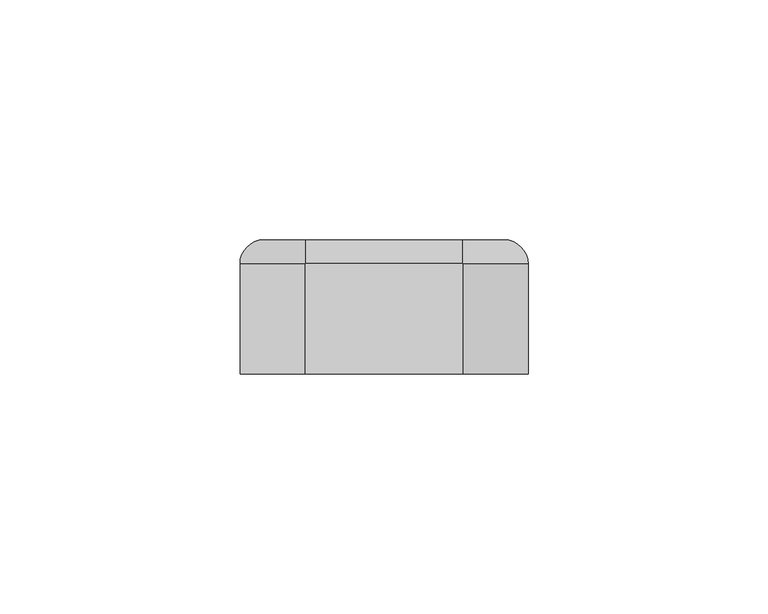
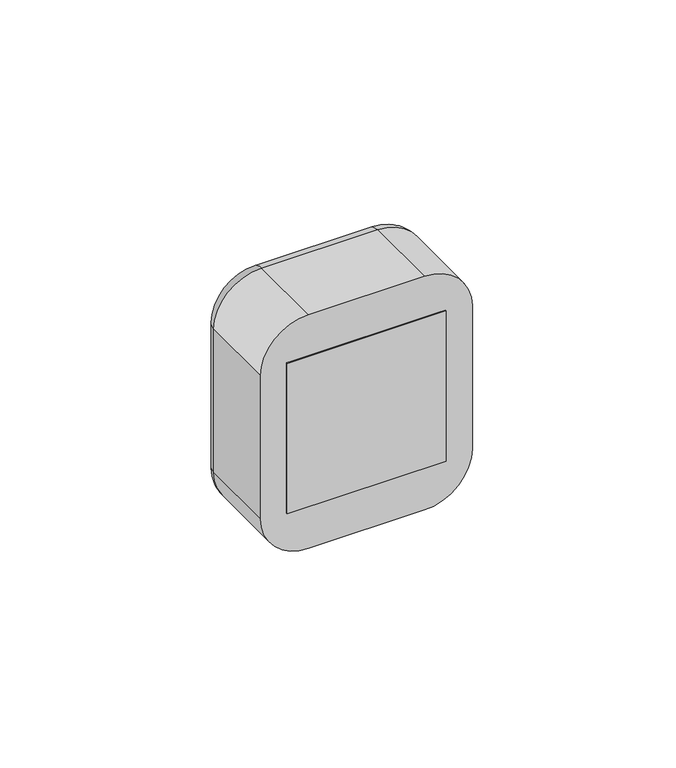
"""IFC4 building model written with IfcOpenShell, lengths in millimetres: proxy geometry."""

import ifcopenshell
import ifcopenshell.guid

model = None  # the IFC model being written
_history = None  # IfcOwnerHistory: only IFC2X3 demands one
_inside = {}  # id of a spatial element -> (the spatial element, [elements in it])
_under = {}  # id of a project, library or spatial element -> (it, [spatial elements below it])
_declared = {}  # id of a project -> (the project, [libraries it declares])
_typed = {}  # id of a type object -> (the type object, [elements of that type])
_made_of = {}  # id of a material, layer set ... -> (it, [elements and type objects made of it])


def new_model(schema):
    """Start an empty IFC model of exactly this schema.

    Asked for "IFC4X3", IfcOpenShell would pick the latest addendum, in which some entities
    have other attributes; the version numbers below select the first issue.
    IFC2X3 requires an IfcOwnerHistory on every rooted entity: one is made here for all.
    """
    global model, _history
    if schema == "IFC4X3":
        model = ifcopenshell.file(schema_version=(4, 3, 0, 0))
    else:
        model = ifcopenshell.file(schema=schema)
    _inside.clear()
    _under.clear()
    _declared.clear()
    _typed.clear()
    _made_of.clear()
    _history = None
    if model.schema == "IFC2X3":
        org = make("IfcOrganization", Name="unknown")
        user = make(
            "IfcPersonAndOrganization",
            ThePerson=make("IfcPerson", FamilyName="unknown"),
            TheOrganization=org,
        )
        app = make(
            "IfcApplication",
            ApplicationDeveloper=org,
            Version="unknown",
            ApplicationFullName="unknown",
            ApplicationIdentifier="unknown",
        )
        _history = make(
            "IfcOwnerHistory",
            OwningUser=user,
            OwningApplication=app,
            ChangeAction="ADDED",
            CreationDate=0,
        )
    return model


def make(cls, **values):
    """One entity of the class cls with the attributes given. An attribute that is None is left unset."""
    return model.create_entity(
        cls, **{name: value for name, value in values.items() if value is not None}
    )


def rooted(cls, **values):
    """An entity with a GlobalId (a new one), such as an element, a storey or a relation."""
    return make(cls, GlobalId=ifcopenshell.guid.new(), OwnerHistory=_history, **values)


def si_unit(unit_type, name, prefix=None):
    """IfcSIUnit, for example si_unit("LENGTHUNIT", "METRE", prefix="MILLI")."""
    return make("IfcSIUnit", UnitType=unit_type, Prefix=prefix, Name=name)


def assignment(units):
    """IfcUnitAssignment: the units of a project."""
    return None if units is None else make("IfcUnitAssignment", Units=units)


def point(xyz):
    """IfcCartesianPoint."""
    return None if xyz is None else make("IfcCartesianPoint", Coordinates=xyz)


def direction(xyz):
    """IfcDirection."""
    return None if xyz is None else make("IfcDirection", DirectionRatios=xyz)


def frame(location, z_axis=None, x_axis=None):
    """IfcAxis2Placement3D, a coordinate frame: its origin and axes. An axis left out is left unset."""
    return make(
        "IfcAxis2Placement3D",
        Location=point(location),
        Axis=direction(z_axis),
        RefDirection=direction(x_axis),
    )


def origin():
    """The frame at (0, 0, 0) with its axes left unset."""
    return frame((0.0, 0.0, 0.0))


def place(relative_to, where):
    """IfcLocalPlacement: puts the frame where relative to a parent placement (None: the world)."""
    return make(
        "IfcLocalPlacement", PlacementRelTo=relative_to, RelativePlacement=where
    )


def context(
    kind, dimensions, precision=None, world=None, true_north=None, identifier=None
):
    """IfcGeometricRepresentationContext, for example the 3D "Model" context."""
    return make(
        "IfcGeometricRepresentationContext",
        ContextIdentifier=identifier,
        ContextType=kind,
        CoordinateSpaceDimension=dimensions,
        Precision=precision,
        WorldCoordinateSystem=world,
        TrueNorth=true_north,
    )


def project(units=None, contexts=None):
    """IfcProject with its units and contexts."""
    return rooted(
        "IfcProject",
        Name="project",
        RepresentationContexts=contexts,
        UnitsInContext=assignment(units),
    )


def spatial(cls, under=None, at=None, **own):
    """A site, building, storey or space (cls), placed at a placement, below another one or the project."""
    s = rooted(cls, ObjectPlacement=at, **own)
    if under is not None:
        _under.setdefault(under.id(), (under, []))[1].append(s)
    return s


def polyline(points):
    """IfcPolyline through the points."""
    return make("IfcPolyline", Points=[point(p) for p in points])


def circle_curve(where, radius):
    """IfcCircle in the frame where."""
    return make("IfcCircle", Position=where, Radius=radius)


def ellipse_curve(where, semi_axis1, semi_axis2):
    """IfcEllipse in the frame where."""
    return make(
        "IfcEllipse", Position=where, SemiAxis1=semi_axis1, SemiAxis2=semi_axis2
    )


def trimmed(basis, trim1, trim2, sense, master):
    """IfcTrimmedCurve: the piece of a basis curve between two trims."""
    return make(
        "IfcTrimmedCurve",
        BasisCurve=basis,
        Trim1=trim1,
        Trim2=trim2,
        SenseAgreement=sense,
        MasterRepresentation=master,
    )


def outline(outer, holes=None, kind="AREA"):
    """IfcArbitraryClosedProfileDef: a profile drawn as a closed curve; with holes, ...WithVoids."""
    if holes is None:
        return make("IfcArbitraryClosedProfileDef", ProfileType=kind, OuterCurve=outer)
    return make(
        "IfcArbitraryProfileDefWithVoids",
        ProfileType=kind,
        OuterCurve=outer,
        InnerCurves=holes,
    )


def extrude(swept, where, along, depth):
    """IfcExtrudedAreaSolid: the profile swept, set in the frame where, extruded along a direction by depth."""
    return make(
        "IfcExtrudedAreaSolid",
        SweptArea=swept,
        Position=where,
        ExtrudedDirection=direction(along),
        Depth=depth,
    )


def shape(context_of_items, identifier, shape_type, items):
    """IfcShapeRepresentation: the items that make up one representation, for example the "Body"."""
    return make(
        "IfcShapeRepresentation",
        ContextOfItems=context_of_items,
        RepresentationIdentifier=identifier,
        RepresentationType=shape_type,
        Items=items,
    )


def source(mapping_origin, context_of_items, identifier, shape_type, items):
    """IfcRepresentationMap: a shape defined once, which mapped items show again and again."""
    return make(
        "IfcRepresentationMap",
        MappingOrigin=mapping_origin,
        MappedRepresentation=shape(context_of_items, identifier, shape_type, items),
    )


def transform(
    local_origin,
    x_axis=None,
    y_axis=None,
    z_axis=None,
    scale=None,
    scale2=None,
    scale3=None,
    uniform=True,
):
    """IfcCartesianTransformationOperator3D, or its non-uniform kind. x_axis, y_axis, z_axis: its Axis1, 2, 3."""
    if uniform:
        return make(
            "IfcCartesianTransformationOperator3D",
            Axis1=direction(x_axis),
            Axis2=direction(y_axis),
            LocalOrigin=point(local_origin),
            Scale=scale,
            Axis3=direction(z_axis),
        )
    return make(
        "IfcCartesianTransformationOperator3DnonUniform",
        Axis1=direction(x_axis),
        Axis2=direction(y_axis),
        LocalOrigin=point(local_origin),
        Scale=scale,
        Axis3=direction(z_axis),
        Scale2=scale2,
        Scale3=scale3,
    )


def mapped(mapping_source, mapping_target):
    """IfcMappedItem: shows the shape of a source again, moved by a transform."""
    return make(
        "IfcMappedItem", MappingSource=mapping_source, MappingTarget=mapping_target
    )


def made_of(thing, what):
    """Note that an element or type object is made of a material, layer set ...; save() writes the relation."""
    if what is not None:
        _made_of.setdefault(what.id(), (what, []))[1].append(thing)
    return thing


def element(
    cls,
    number,
    at=None,
    inside=None,
    cuts=None,
    type_object=None,
    material=None,
    context=None,
    identifier="Body",
    shape_type=None,
    held_by="IfcProductDefinitionShape",
    body=None,
    shapes=None,
    **own,
):
    """One element of the class cls, such as IfcWall. Its Tag is "e" and its number.

    at: its placement. inside: the storey or other place that contains it. cuts: it is an
    opening in that element (IfcRelVoidsElement). A single representation is given by context,
    identifier, shape_type and body (its items); several are given by shapes. held_by: the class
    of the entity that holds the representations. save() writes the other relations.
    """
    e = rooted(cls, Tag="e%d" % number, ObjectPlacement=at, **own)
    if body is not None:
        shapes = [shape(context, identifier, shape_type, body)]
    if shapes is not None:
        e.Representation = make(held_by, Representations=shapes)
    if inside is not None:
        _inside.setdefault(inside.id(), (inside, []))[1].append(e)
    if cuts is not None:
        rooted(
            "IfcRelVoidsElement", RelatingBuildingElement=cuts, RelatedOpeningElement=e
        )
    if type_object is not None:
        _typed.setdefault(type_object.id(), (type_object, []))[1].append(e)
    return made_of(e, material)


def aggregate(whole, parts):
    """IfcRelAggregates: a whole, such as a stair, and the parts it consists of."""
    return rooted("IfcRelAggregates", RelatingObject=whole, RelatedObjects=parts)


def save(model, path):
    """Write the relations noted so far, then the file.

    IfcRelAggregates (storeys below a building ...), IfcRelContainedInSpatialStructure (elements
    in a storey), IfcRelDefinesByType, IfcRelAssociatesMaterial and IfcRelDeclares: one each for
    every whole, place, type object, material and project.
    """
    for whole, parts in _under.values():
        aggregate(whole, parts)
    for where, things in _inside.values():
        rooted(
            "IfcRelContainedInSpatialStructure",
            RelatedElements=things,
            RelatingStructure=where,
        )
    for kind, things in _typed.values():
        rooted("IfcRelDefinesByType", RelatedObjects=things, RelatingType=kind)
    for what, things in _made_of.values():
        rooted("IfcRelAssociatesMaterial", RelatedObjects=things, RelatingMaterial=what)
    for by, libraries in _declared.values():
        rooted("IfcRelDeclares", RelatingContext=by, RelatedDefinitions=libraries)
    model.write(path)


def plane_surface(at):
    """IfcPlane: the flat surface through the origin of the frame at, square to its z axis."""
    return make("IfcPlane", Position=at)


def cylinder_surface(at, radius):
    """IfcCylindricalSurface: all points at the distance radius from the z axis of the frame at."""
    return make("IfcCylindricalSurface", Position=at, Radius=radius)


def revolved_surface(curve, axis_point, axis_direction):
    """IfcSurfaceOfRevolution: the curve turned about the line through axis_point along axis_direction."""
    return make(
        "IfcSurfaceOfRevolution",
        SweptCurve=make("IfcArbitraryOpenProfileDef", ProfileType="CURVE", Curve=curve),
        AxisPosition=make("IfcAxis1Placement", Location=point(axis_point), Axis=direction(axis_direction)),
    )


def advanced_brep(points, edges, surfaces, faces):
    """IfcAdvancedBrep: a solid bounded by faces that lie on surfaces and meet in shared edges.

    An edge is (start, end): straight between two places in points (the first is 0);
    or (start, end, curve); or (start, end, curve, False) where it runs against its curve.
    A face is (place in surfaces, loops), or (place, loops, False) where it looks against
    its surface's normal. A loop lists edges by number (the first is 1), with a minus sign
    where the edge is run from its end to its start. The first loop is the outer one.
    """
    corners = [point(p) for p in points]
    vertices = [make("IfcVertexPoint", VertexGeometry=c) for c in corners]
    made = []
    for start, end, *more in edges:
        made.append(
            make(
                "IfcEdgeCurve",
                EdgeStart=vertices[start],
                EdgeEnd=vertices[end],
                EdgeGeometry=more[0] if more else make("IfcPolyline", Points=[corners[start], corners[end]]),
                SameSense=more[1] if len(more) > 1 else True,
            )
        )
    hull = []
    for where, loops, *sense in faces:
        bounds = []
        for j, loop in enumerate(loops):
            ring = [make("IfcOrientedEdge", EdgeElement=made[abs(k) - 1], Orientation=k > 0) for k in loop]
            bounds.append(
                make(
                    "IfcFaceOuterBound" if j == 0 else "IfcFaceBound",
                    Bound=make("IfcEdgeLoop", EdgeList=ring),
                    Orientation=True,
                )
            )
        hull.append(make("IfcAdvancedFace", Bounds=bounds, FaceSurface=surfaces[where], SameSense=sense[0] if sense else True))
    return make("IfcAdvancedBrep", Outer=make("IfcClosedShell", CfsFaces=hull))


def electrical_fixtures_6743e04d(model_context):
    return source(origin(), model_context, "Body", "SolidModel", [
        advanced_brep(
        [(22.5, 28.0, 22.5), (22.5, 28.0, -22.5), (-22.5, 28.0, -22.5), (-22.5, 28.0, 22.5), (-18.0, 28.0, 0.0), (18.0, 28.0, 0.0), (22.5, 20.0, 22.5), (-22.5, 20.0, 22.5), (-22.5, 20.0, -22.5), (22.5, 20.0, -22.5), (-7.0, 20.0, 0.0), (-12.0, 20.0, 0.0), (12.0, 20.0, 0.0), (7.0, 20.0, 0.0), (-18.0, 21.0, 0.0), (18.0, 21.0, 0.0), (-12.0, 21.0, 0.0), (-7.0, 21.0, 0.0), (7.0, 21.0, 0.0), (12.0, 21.0, 0.0)],
        [
            (0, 1),
            (1, 2),
            (2, 3),
            (3, 0),
            (4, 5, circle_curve(frame((0.0, 28.0, 0.0), z_axis=(0.0, -1.0, 0.0), x_axis=(1.0, 0.0, 0.0)), 18.0)),
            (5, 4, circle_curve(frame((0.0, 28.0, 0.0), z_axis=(0.0, -1.0, 0.0), x_axis=(1.0, 0.0, 0.0)), 18.0)),
            (6, 7),
            (7, 8),
            (8, 9),
            (9, 6),
            (10, 11, circle_curve(frame((-9.5, 20.0, 0.0), z_axis=(0.0, 1.0, 0.0), x_axis=(1.0, 0.0, 0.0)), 2.5)),
            (11, 10, circle_curve(frame((-9.5, 20.0, 0.0), z_axis=(0.0, 1.0, 0.0), x_axis=(1.0, 0.0, 0.0)), 2.5)),
            (12, 13, circle_curve(frame((9.5, 20.0, 0.0), z_axis=(0.0, 1.0, 0.0), x_axis=(1.0, 0.0, 0.0)), 2.5)),
            (13, 12, circle_curve(frame((9.5, 20.0, 0.0), z_axis=(0.0, 1.0, 0.0), x_axis=(1.0, 0.0, 0.0)), 2.5)),
            (3, 7),
            (6, 0),
            (2, 8),
            (1, 9),
            (14, 15, circle_curve(frame((0.0, 21.0, 0.0), z_axis=(0.0, 1.0, 0.0), x_axis=(1.0, 0.0, 0.0)), 18.0)),
            (15, 14, circle_curve(frame((0.0, 21.0, 0.0), z_axis=(0.0, 1.0, 0.0), x_axis=(1.0, 0.0, 0.0)), 18.0)),
            (16, 17, circle_curve(frame((-9.5, 21.0, 0.0), z_axis=(0.0, -1.0, 0.0), x_axis=(1.0, 0.0, 0.0)), 2.5)),
            (17, 16, circle_curve(frame((-9.5, 21.0, 0.0), z_axis=(0.0, -1.0, 0.0), x_axis=(1.0, 0.0, 0.0)), 2.5)),
            (18, 19, circle_curve(frame((9.5, 21.0, 0.0), z_axis=(0.0, -1.0, 0.0), x_axis=(1.0, 0.0, 0.0)), 2.5)),
            (19, 18, circle_curve(frame((9.5, 21.0, 0.0), z_axis=(0.0, -1.0, 0.0), x_axis=(1.0, 0.0, 0.0)), 2.5)),
            (15, 5),
            (4, 14),
            (10, 17),
            (16, 11),
            (12, 19),
            (18, 13),
        ],
        [
            plane_surface(frame((-39.0, 28.0, 22.5), z_axis=(0.0, 1.0, 0.0), x_axis=(1.0, 0.0, 0.0))),
            plane_surface(frame((-39.0, 20.0, 22.5), z_axis=(0.0, -1.0, 0.0), x_axis=(-1.0, 0.0, 0.0))),
            plane_surface(frame((22.5, 20.0, 22.5), z_axis=(0.0, 0.0, 1.0), x_axis=(0.0, 1.0, 0.0))),
            plane_surface(frame((-22.5, 20.0, 22.5), z_axis=(-1.0, 0.0, 0.0), x_axis=(0.0, 1.0, 0.0))),
            plane_surface(frame((-22.5, 20.0, -22.5), z_axis=(0.0, 0.0, -1.0), x_axis=(0.0, 1.0, 0.0))),
            plane_surface(frame((22.5, 20.0, -22.5), z_axis=(1.0, 0.0, 0.0), x_axis=(0.0, 1.0, 0.0))),
            plane_surface(frame((18.0, 21.0, 0.0), z_axis=(0.0, 1.0, 0.0), x_axis=(0.0, 0.0, 1.0))),
            revolved_surface(polyline([(18.0, 21.0, 0.0), (18.0, 28.0, 0.0)]), (0.0, 28.0, 0.0), (0.0, -1.0, 0.0)),
            revolved_surface(polyline([(-7.0, 20.0, 0.0), (-7.0, 21.0, 0.0)]), (-9.5, 21.0, 0.0), (0.0, -1.0, 0.0)),
            revolved_surface(polyline([(12.0, 20.0, 0.0), (12.0, 21.0, 0.0)]), (9.5, 20.0, 0.0), (0.0, -1.0, 0.0)),
        ],
        [
            (0, [[1, 2, 3, 4], [5, 6]]),
            (1, [[7, 8, 9, 10], [11, 12], [13, 14]]),
            (2, [[-4, 15, -7, 16]]),
            (3, [[-3, 17, -8, -15]]),
            (4, [[-2, 18, -9, -17]]),
            (5, [[-1, -16, -10, -18]]),
            (6, [[19, 20], [21, 22], [23, 24]]),
            (7, [[-20, 25, -5, 26]]),
            (7, [[-19, -26, -6, -25]]),
            (8, [[27, -21, 28, -11]]),
            (8, [[-27, -12, -28, -22]]),
            (9, [[29, -23, 30, -13]]),
            (9, [[-29, -14, -30, -24]]),
        ],
    ),
        extrude(outline(polyline([(22.5, 0.0), (-22.5, 0.0), (-22.5, 20.0), (22.5, 20.0), (22.5, 0.0)])), frame((0.0, 0.0, -22.5), z_axis=(0.0, 0.0, 1.0), x_axis=(1.0, 0.0, 0.0)), (0.0, 0.0, 1.0), 45.0),
        advanced_brep(
        [(16.4328665, 28.0, 30.0), (25.0, 28.0, 21.4328665), (25.0, 28.0, -21.4328665), (16.4328665, 28.0, -30.0), (-16.4328665, 28.0, -30.0), (-25.0, 28.0, -21.4328665), (-25.0, 28.0, 21.4328665), (-16.4328665, 28.0, 30.0), (22.5, 28.0, 22.5), (-22.5, 28.0, 22.5), (-22.5, 28.0, -22.5), (22.5, 28.0, -22.5), (-16.4328665, 0.0, 35.0), (-30.0, 0.0, 21.4328665), (-30.0, 0.0, -21.4328665), (-16.4328665, 0.0, -35.0), (16.4328665, 0.0, -35.0), (30.0, 0.0, -21.4328665), (30.0, 0.0, 21.4328665), (16.4328665, 0.0, 35.0), (22.5, 2.0, -22.5), (22.5, 2.0, 22.5), (-22.5, 2.0, -22.5), (-22.5, 2.0, 22.5), (-30.0, 23.0, 21.4328665), (-30.0, 23.0, -21.4328665), (-16.4328665, 23.0, -35.0), (16.4328665, 23.0, -35.0), (30.0, 23.0, -21.4328665), (30.0, 23.0, 21.4328665), (16.4328665, 23.0000072, 35.0), (-16.4328665, 23.0, 35.0)],
        [
            (0, 1, circle_curve(frame((16.4328665, 28.0, 21.4328665), z_axis=(0.0, 1.0, 0.0), x_axis=(0.0, 0.0, 1.0)), 8.5671335)),
            (1, 2),
            (2, 3, circle_curve(frame((16.4328665, 28.0, -21.4328665), z_axis=(0.0, 1.0, 0.0), x_axis=(1.0, 0.0, 0.0)), 8.5671335)),
            (3, 4),
            (4, 5, circle_curve(frame((-16.4328665, 28.0, -21.4328665), z_axis=(0.0, 1.0, 0.0), x_axis=(0.0, 0.0, -1.0)), 8.5671335)),
            (5, 6),
            (6, 7, circle_curve(frame((-16.4328665, 28.0, 21.4328665), z_axis=(0.0, 1.0, 0.0), x_axis=(-1.0, 0.0, 0.0)), 8.5671335)),
            (7, 0),
            (8, 9),
            (9, 10),
            (10, 11),
            (11, 8),
            (12, 13, circle_curve(frame((-16.4328665, 0.0, 21.4328665), z_axis=(0.0, -1.0, 0.0), x_axis=(1.0, 0.0, 0.0)), 13.5671335)),
            (13, 14),
            (14, 15, circle_curve(frame((-16.4328665, 0.0, -21.4328665), z_axis=(0.0, -1.0, 0.0), x_axis=(1.0, 0.0, 0.0)), 13.5671335)),
            (15, 16),
            (16, 17, circle_curve(frame((16.4328665, 0.0, -21.4328665), z_axis=(0.0, -1.0, 0.0), x_axis=(1.0, 0.0, 0.0)), 13.5671335)),
            (17, 18),
            (18, 19, circle_curve(frame((16.4328665, 0.0, 21.4328665), z_axis=(0.0, -1.0, 0.0), x_axis=(1.0, 0.0, 0.0)), 13.5671335)),
            (19, 12),
            (11, 20),
            (20, 21),
            (21, 8),
            (10, 22),
            (22, 20),
            (9, 23),
            (23, 22),
            (21, 23),
            (13, 24),
            (24, 25),
            (25, 14),
            (15, 26),
            (26, 27),
            (27, 16),
            (17, 28),
            (28, 29),
            (29, 18),
            (19, 30),
            (30, 31),
            (31, 12),
            (31, 24, circle_curve(frame((-16.4328665, 23.0, 21.4328665), z_axis=(0.0, -1.0, 0.0), x_axis=(1.0, 0.0, 0.0)), 13.5671335)),
            (25, 26, circle_curve(frame((-16.4328665, 23.0, -21.4328665), z_axis=(0.0, -1.0, 0.0), x_axis=(1.0, 0.0, 0.0)), 13.5671335)),
            (27, 28, circle_curve(frame((16.4328665, 23.0, -21.4328665), z_axis=(0.0, -1.0, 0.0), x_axis=(1.0, 0.0, 0.0)), 13.5671335)),
            (29, 30, circle_curve(frame((16.4328665, 23.0, 21.4328665), z_axis=(0.0, -1.0, 0.0), x_axis=(1.0, 0.0, 0.0)), 13.5671335)),
            (29, 1, circle_curve(frame((25.0, 23.0, 21.4328665), z_axis=(0.0, 0.0, 1.0), x_axis=(0.0, 1.0, 0.0)), 5.0)),
            (0, 30, circle_curve(frame((16.4328665, 23.0, 30.0), z_axis=(1.0, 0.0, 0.0), x_axis=(0.0, 1.0, 0.0)), 5.0)),
            (28, 2, circle_curve(frame((25.0, 23.0, -21.4328665), z_axis=(0.0, 0.0, 1.0), x_axis=(0.0, 1.0, 0.0)), 5.0)),
            (27, 3, circle_curve(frame((16.4328665, 23.0, -30.0), z_axis=(1.0, 0.0, 0.0), x_axis=(0.0, 1.0, 0.0)), 5.0)),
            (26, 4, circle_curve(frame((-16.4328665, 23.0, -30.0), z_axis=(1.0, 0.0, 0.0), x_axis=(0.0, 1.0, 0.0)), 5.0)),
            (25, 5, circle_curve(frame((-25.0, 23.0, -21.4328665), z_axis=(0.0, 0.0, -1.0), x_axis=(0.0, 1.0, 0.0)), 5.0)),
            (24, 6, circle_curve(frame((-25.0, 23.0, 21.4328665), z_axis=(0.0, 0.0, -1.0), x_axis=(0.0, 1.0, 0.0)), 5.0)),
            (31, 7, circle_curve(frame((-16.4328665, 23.0, 30.0), z_axis=(-1.0, 0.0, 0.0), x_axis=(0.0, 1.0, 0.0)), 5.0)),
        ],
        [
            plane_surface(frame((22.5, 28.0, 6.9412233), z_axis=(0.0, 1.0, 0.0), x_axis=(0.0, 0.0, 1.0))),
            plane_surface(frame((22.5, 0.0, 6.9412233), z_axis=(0.0, -1.0, 0.0), x_axis=(0.0, 0.0, -1.0))),
            plane_surface(frame((22.5, 0.0, 22.5), z_axis=(-1.0, 0.0, 0.0), x_axis=(0.0, 1.0, 0.0))),
            plane_surface(frame((22.5, 0.0, -22.5), z_axis=(0.0, 0.0, 1.0), x_axis=(0.0, 1.0, 0.0))),
            plane_surface(frame((-22.5, 0.0, -22.5), z_axis=(1.0, 0.0, 0.0), x_axis=(0.0, 1.0, 0.0))),
            plane_surface(frame((-22.5, 0.0, 22.5), z_axis=(0.0, 0.0, -1.0), x_axis=(0.0, 1.0, 0.0))),
            plane_surface(frame((-30.0, 0.0, 21.4328665), z_axis=(-1.0, 0.0, 0.0), x_axis=(0.0, 1.0, 0.0))),
            plane_surface(frame((-16.4328665, 0.0, -35.0), z_axis=(0.0, 0.0, -1.0), x_axis=(0.0, 1.0, 0.0))),
            plane_surface(frame((30.0, 0.0, -21.4328665), z_axis=(1.0, 0.0, 0.0), x_axis=(0.0, 1.0, 0.0))),
            plane_surface(frame((16.4328665, 0.0, 35.0), z_axis=(0.0, 0.0, 1.0), x_axis=(0.0, 1.0, 0.0))),
            cylinder_surface(frame((-16.4328665, 0.0, 21.4328665), z_axis=(0.0, -1.0, 0.0), x_axis=(1.0, 0.0, 0.0)), 13.5671335),
            cylinder_surface(frame((-16.4328665, 0.0, -21.4328665), z_axis=(0.0, -1.0, 0.0), x_axis=(1.0, 0.0, 0.0)), 13.5671335),
            cylinder_surface(frame((16.4328665, 0.0, -21.4328665), z_axis=(0.0, -1.0, 0.0), x_axis=(1.0, 0.0, 0.0)), 13.5671335),
            cylinder_surface(frame((16.4328665, 0.0, 21.4328665), z_axis=(0.0, -1.0, 0.0), x_axis=(1.0, 0.0, 0.0)), 13.5671335),
            plane_surface(frame((-22.5, 2.0, 31.0), z_axis=(0.0, 1.0, 0.0), x_axis=(0.0, 0.0, 1.0))),
            revolved_surface(trimmed(ellipse_curve(frame((16.4328665, 23.0, 30.0), z_axis=(-1.0, 0.0, 0.0), x_axis=(0.0, 1.0, 0.0)), 5.0, 5.0), [point((16.4328665, 23.0, 35.0))], [point((16.4328665, 28.0, 30.0))], True, "CARTESIAN"), (16.4328665, 28.0, 21.4328665), (0.0, 1.0, 0.0)),
            cylinder_surface(frame((25.0, 23.0, 21.4328665), z_axis=(0.0, 0.0, -1.0), x_axis=(0.0, 1.0, 0.0)), 5.0),
            revolved_surface(trimmed(ellipse_curve(frame((25.0, 23.0, -21.4328665), z_axis=(0.0, 0.0, 1.0), x_axis=(0.0, 1.0, 0.0)), 5.0, 5.0), [point((30.0, 23.0, -21.4328665))], [point((25.0, 28.0, -21.4328665))], True, "CARTESIAN"), (16.4328665, 28.0, -21.4328665), (0.0, 1.0, 0.0)),
            cylinder_surface(frame((16.4328665, 23.0, -30.0), z_axis=(-1.0, 0.0, 0.0), x_axis=(0.0, 1.0, 0.0)), 5.0),
            revolved_surface(trimmed(ellipse_curve(frame((-16.4328665, 23.0, -30.0), z_axis=(1.0, 0.0, 0.0), x_axis=(0.0, 1.0, 0.0)), 5.0, 5.0), [point((-16.4328665, 23.0, -35.0))], [point((-16.4328665, 28.0, -30.0))], True, "CARTESIAN"), (-16.4328665, 28.0, -21.4328665), (0.0, 1.0, 0.0)),
            cylinder_surface(frame((-25.0, 23.0, -21.4328665), z_axis=(0.0, 0.0, 1.0), x_axis=(0.0, 1.0, 0.0)), 5.0),
            revolved_surface(trimmed(ellipse_curve(frame((-25.0, 23.0, 21.4328665), z_axis=(0.0, 0.0, -1.0), x_axis=(0.0, 1.0, 0.0)), 5.0, 5.0), [point((-30.0, 23.0, 21.4328665))], [point((-25.0, 28.0, 21.4328665))], True, "CARTESIAN"), (-16.4328665, 28.0, 21.4328665), (0.0, 1.0, 0.0)),
            cylinder_surface(frame((-16.4328665, 23.0, 30.0), z_axis=(1.0, 0.0, 0.0), x_axis=(0.0, 1.0, 0.0)), 5.0),
        ],
        [
            (0, [[1, 2, 3, 4, 5, 6, 7, 8], [9, 10, 11, 12]]),
            (1, [[13, 14, 15, 16, 17, 18, 19, 20]]),
            (2, [[-12, 21, 22, 23]]),
            (3, [[-11, 24, 25, -21]]),
            (4, [[-10, 26, 27, -24]]),
            (5, [[-9, -23, 28, -26]]),
            (6, [[-14, 29, 30, 31]]),
            (7, [[-16, 32, 33, 34]]),
            (8, [[-18, 35, 36, 37]]),
            (9, [[-20, 38, 39, 40]]),
            (10, [[-13, -40, 41, -29]]),
            (11, [[-15, -31, 42, -32]]),
            (12, [[-17, -34, 43, -35]]),
            (13, [[-19, -37, 44, -38]]),
            (14, [[-22, -25, -27, -28]]),
            (15, [[45, -1, 46, -44]]),
            (16, [[-45, -36, 47, -2]]),
            (17, [[-47, -43, 48, -3]]),
            (18, [[-48, -33, 49, -4]]),
            (19, [[-49, -42, 50, -5]]),
            (20, [[-50, -30, 51, -6]]),
            (21, [[-51, -41, 52, -7]]),
            (22, [[-46, -8, -52, -39]]),
        ],
    ),
    ])


if __name__ == "__main__":
    model = new_model("IFC4")
    model_context = context("Model", 3, world=origin())
    ifc_project = project(units=[si_unit("LENGTHUNIT", "METRE", prefix="MILLI")], contexts=[model_context])
    site = spatial("IfcSite", under=ifc_project)
    building = spatial("IfcBuilding", under=site)
    placement = place(None, origin())
    electrical_fixtures_shape = electrical_fixtures_6743e04d(model_context)
    element("IfcBuildingElementProxy", 1, Name="Electrical Fixtures", at=placement, inside=building, context=model_context, shape_type="MappedRepresentation", body=[
        mapped(electrical_fixtures_shape, transform((0.0, 0.0, 0.0), x_axis=(1.0, 0.0, 0.0), y_axis=(0.0, 1.0, 0.0), z_axis=(0.0, 0.0, 1.0))),
    ])
    save(model, "model.ifc")
